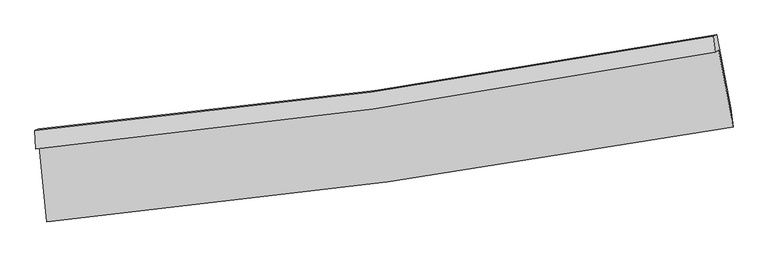
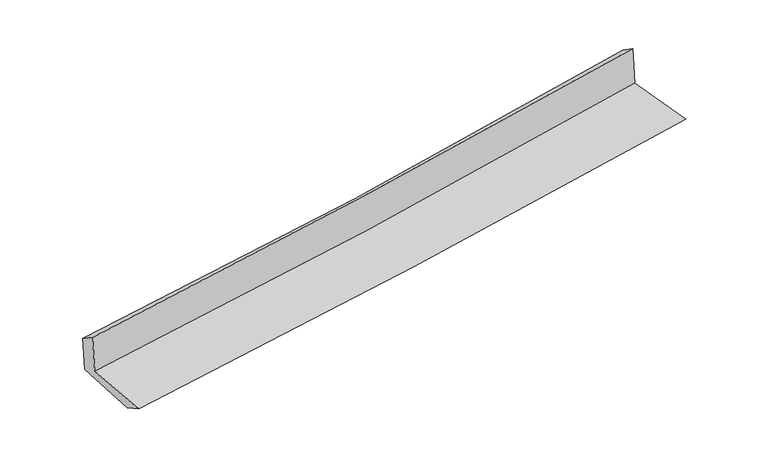
"""IFC4 building model written with IfcOpenShell, lengths in millimetres: proxy geometry."""

from ifc_helpers import new_model, si_unit, frame, origin, place, context, project, spatial, source, transform, mapped, element, save
from ifc_brep_helpers import plane_surface, spline_curve, spline_surface, advanced_brep


def generic_models_3d23677e(model_context):
    return source(origin(), model_context, "Body", "AdvancedBrep", [
        advanced_brep(
        [(-3024.9929508, -1902.7378392, 1636.4933642), (-2959.6708087, -2571.0043567, 1609.7574922), (3122.0691481, -1729.3154238, 2108.1669176), (2994.6766457, -1044.6412598, 2130.6353951), (-3056.4254691, -1922.2764989, 2025.6070057), (2962.5865084, -1064.4301953, 2524.5718254), (-3062.9013519, -1757.4364903, 1919.5098448), (2945.364874, -922.1019745, 2427.0955741), (-3033.7098799, -1745.6052648, 1565.103844), (2976.9802857, -909.4988477, 2052.9077845), (-2968.8469447, -2382.2193428, 1508.8240864), (3099.3736741, -1559.3416533, 2015.2382638)],
        [
            (0, 1),
            (1, 2, spline_curve(3, [(-2959.6708087, -2571.0043567, 1609.7574922), (-1951.864159343, -2470.61297486, 1703.162815252), (-946.060657726, -2351.146414871, 1791.049698129), (1081.265494935, -2071.340486937, 1957.405187622), (2102.708645682, -1910.244069301, 2035.654779479), (3122.0691481, -1729.3154238, 2108.1669176)], [4, 2, 4], [0.0, 9.961080138488157, 20.11790312540732])),
            (2, 3),
            (3, 0, spline_curve(3, [(2994.6766457, -1044.6412598, 2130.6353951), (1987.60195791, -1235.998940962, 2058.627715229), (977.51562061, -1403.653180865, 1980.990468092), (-1029.155874553, -1688.780549674, 1816.061561911), (-2025.626068977, -1807.158503103, 1728.98479899), (-3024.9929508, -1902.7378392, 1636.4933642)], [4, 2, 4], [0.0, 10.156822986919163, 20.11790312540732])),
            (4, 0),
            (3, 5),
            (5, 4, spline_curve(3, [(2962.5865084, -1064.4301953, 2524.5718254), (1954.951702671, -1256.226975564, 2460.157063673), (944.643904139, -1424.077364629, 2385.869578977), (-1061.795456897, -1709.112034055, 2219.171104147), (-2057.82498444, -1827.210412839, 2127.136982053), (-3056.4254691, -1922.2764989, 2025.6070057)], [4, 2, 4], [0.0, 10.108159256603916, 20.021513514850557])),
            (6, 4),
            (5, 7),
            (7, 6, spline_curve(3, [(2945.364874, -922.1019745, 2427.0955741), (1940.847216353, -1112.628983601, 2347.854501049), (932.995817011, -1277.937998592, 2265.493532156), (-1069.886849439, -1555.420198586, 2096.17919435), (-2064.790858837, -1668.556021884, 2009.344920161), (-3062.9013519, -1757.4364903, 1919.5098448)], [4, 2, 4], [0.0, 10.097231392175555, 19.99986838839512])),
            (8, 6),
            (7, 9),
            (9, 8, spline_curve(3, [(2976.9802857, -909.4988477, 2052.9077845), (1972.04627775, -1100.161872563, 1976.958910765), (963.782784069, -1265.603816552, 1897.908742416), (-1039.907700204, -1543.3431987, 1735.189044073), (-2035.207594723, -1656.603393872, 1651.637898749), (-3033.7098799, -1745.6052648, 1565.103844)], [4, 2, 4], [0.0, 10.087193702886006, 19.979986456713323])),
            (10, 8),
            (9, 11),
            (11, 10, spline_curve(3, [(3099.3736741, -1559.3416533, 2015.2382638), (2084.694747689, -1755.256069712, 1940.74206278), (1066.718250943, -1922.174211928, 1860.829984975), (-956.147832246, -2195.359908896, 1691.818520439), (-1960.911542021, -2302.734330164, 1602.925872704), (-2968.8469447, -2382.2193428, 1508.8240864)], [4, 2, 4], [0.0, 10.135271416674842, 20.075215327959825])),
            (1, 10),
            (11, 2),
        ],
        [
            spline_surface(3, 3, [[(-3024.9929508, -1902.7378392, 1636.4933642), (-2025.626069097, -1807.158503074, 1728.984798841), (-1029.155874464, -1688.780549687, 1816.061561959), (977.515620518, -1403.653180851, 1980.990468044), (1987.601958019, -1235.998941109, 2058.627715187), (2994.6766457, -1044.6412598, 2130.6353951)], [(-3003.218903436, -2125.493345023, 1627.581406892), (-2001.038765814, -2028.309993708, 1720.377470976), (-1001.457468868, -1909.569171426, 1807.724274049), (1012.098911975, -1626.215616212, 1973.128707847), (2025.970853856, -1460.747317208, 2050.970069973), (3037.140813145, -1272.865981151, 2123.145902603)], [(-2981.444856064, -2348.248850877, 1618.669449508), (-1976.451462521, -2249.461484373, 1711.770143034), (-973.759063273, -2130.35779315, 1799.386986172), (1046.682203429, -1848.778051558, 1965.266947683), (2064.33974976, -1685.495693252, 2043.312424751), (3079.604980655, -1501.090702449, 2115.656410097)], [(-2959.6708087, -2571.0043567, 1609.7574922), (-1951.864159238, -2470.612975007, 1703.16281517), (-946.060657677, -2351.146414889, 1791.049698262), (1081.265494886, -2071.340486919, 1957.405187487), (2102.708645598, -1910.244069351, 2035.654779536), (3122.0691481, -1729.3154238, 2108.1669176)]], [4, 4], [4, 2, 4], [0.0, 2.20497294865433], [0.0, 9.961080138488157, 20.11790312540732]),
            spline_surface(3, 3, [[(-3056.4254691, -1922.2764989, 2025.6070057), (-2057.824984351, -1827.21041299, 2127.136982123), (-1061.795456968, -1709.112034111, 2219.171104051), (944.643904211, -1424.077364571, 2385.869579075), (1954.951702654, -1256.22697563, 2460.15706373), (2962.5865084, -1064.4301953, 2524.5718254)], [(-3045.947962997, -1915.763612315, 1895.902458515), (-2047.092012597, -1820.526443, 1994.419587677), (-1050.915596122, -1702.334872639, 2084.80125669), (955.601142992, -1417.269303334, 2250.909875401), (1965.835121125, -1249.484297459, 2326.313947558), (2973.283220849, -1057.833883469, 2393.259681975)], [(-3035.470456903, -1909.250725785, 1766.197911385), (-2036.359040852, -1813.842473064, 1861.702193287), (-1040.03573531, -1695.557711159, 1950.43140932), (966.558381738, -1410.461242089, 2115.950171718), (1976.718539548, -1242.74161928, 2192.470831359), (2983.979933251, -1051.237571631, 2261.947538525)], [(-3024.9929508, -1902.7378392, 1636.4933642), (-2025.626069097, -1807.158503074, 1728.984798841), (-1029.155874464, -1688.780549687, 1816.061561959), (977.515620518, -1403.653180851, 1980.990468044), (1987.601958019, -1235.998941109, 2058.627715187), (2994.6766457, -1044.6412598, 2130.6353951)]], [4, 4], [4, 2, 4], [0.0, 1.3315228677762805], [0.0, 9.913354258246642, 20.021513514850557]),
            spline_surface(3, 3, [[(-3062.9013519, -1757.4364903, 1919.5098448), (-2064.790858841, -1668.556022032, 2009.344920101), (-1069.886849472, -1555.420198457, 2096.179194276), (932.995817045, -1277.937998724, 2265.493532231), (1940.847216363, -1112.628983686, 2347.854501137), (2945.364874, -922.1019745, 2427.0955741)], [(-3060.742724319, -1812.383159848, 1954.875565102), (-2062.468900697, -1721.440819033, 2048.608940777), (-1067.189718647, -1606.650810358, 2137.176497544), (936.878512758, -1326.65112069, 2305.618881188), (1945.548711805, -1160.494980985, 2385.288688653), (2951.105418811, -969.544714751, 2459.587657852)], [(-3058.584096681, -1867.329829352, 1990.241285398), (-2060.146942495, -1774.325615989, 2087.872961447), (-1064.492587793, -1657.88142221, 2178.173800783), (940.761208499, -1375.364242606, 2345.744230117), (1950.250207212, -1208.360978331, 2422.722876214), (2956.845963589, -1016.987455049, 2492.079741648)], [(-3056.4254691, -1922.2764989, 2025.6070057), (-2057.824984351, -1827.21041299, 2127.136982123), (-1061.795456968, -1709.112034111, 2219.171104051), (944.643904211, -1424.077364571, 2385.869579075), (1954.951702654, -1256.22697563, 2460.15706373), (2962.5865084, -1064.4301953, 2524.5718254)]], [4, 4], [4, 2, 4], [0.0, 0.6340702069179592], [0.0, 9.902636996219567, 19.99986838839512]),
            spline_surface(3, 3, [[(-3033.7098799, -1745.6052648, 1565.103844), (-2035.207594748, -1656.603393823, 1651.637898901), (-1039.907700064, -1543.343198804, 1735.189044101), (963.782783926, -1265.603816446, 1897.908742387), (1972.046277773, -1100.161872445, 1976.95891067), (2976.9802857, -909.4988477, 2052.9077845)], [(-3043.440370535, -1749.549006642, 1683.239177597), (-2045.068682748, -1660.587603234, 1770.873572631), (-1049.900749878, -1547.368865358, 1855.519094168), (953.520461621, -1269.715210542, 2020.437005677), (1961.646590639, -1104.317576214, 2100.590774155), (2966.441815136, -913.699889988, 2177.637047697)], [(-3053.170861265, -1753.492748458, 1801.374511203), (-2054.929770841, -1664.571812621, 1890.109246371), (-1059.893799658, -1551.394531903, 1975.849144209), (943.25813935, -1273.826604629, 2142.965268941), (1951.246903497, -1108.473279917, 2224.222637651), (2955.903344564, -917.900932212, 2302.366310903)], [(-3062.9013519, -1757.4364903, 1919.5098448), (-2064.790858841, -1668.556022032, 2009.344920101), (-1069.886849472, -1555.420198457, 2096.179194276), (932.995817045, -1277.937998724, 2265.493532231), (1940.847216363, -1112.628983686, 2347.854501137), (2945.364874, -922.1019745, 2427.0955741)]], [4, 4], [4, 2, 4], [0.0, 1.2001990157788716], [0.0, 9.892792753827317, 19.979986456713323]),
            spline_surface(3, 3, [[(-2968.8469447, -2382.2193428, 1508.8240864), (-1960.91154206, -2302.734330168, 1602.925872552), (-956.147832354, -2195.359908986, 1691.818520494), (1066.718251054, -1922.174211837, 1860.829984919), (2084.694747618, -1755.256069842, 1940.742062783), (3099.3736741, -1559.3416533, 2015.2382638)], [(-2990.467923111, -2170.014650138, 1527.584005615), (-1985.676892966, -2087.357351392, 1619.163214683), (-984.067788257, -1978.021005582, 1706.2753617), (1032.406428678, -1703.317413363, 1873.189570745), (2047.145257662, -1536.89133737, 1952.814345439), (3058.575877959, -1342.72738476, 2027.794770728)], [(-3012.088901489, -1957.809957462, 1546.343924785), (-2010.442243841, -1871.9803726, 1635.40055677), (-1011.987744161, -1760.682102208, 1720.732202896), (998.094606302, -1484.46061492, 1885.549156561), (2009.595767729, -1318.526604917, 1964.886628013), (3017.778081841, -1126.11311624, 2040.351277572)], [(-3033.7098799, -1745.6052648, 1565.103844), (-2035.207594748, -1656.603393823, 1651.637898901), (-1039.907700064, -1543.343198804, 1735.189044101), (963.782783926, -1265.603816446, 1897.908742387), (1972.046277773, -1100.161872445, 1976.95891067), (2976.9802857, -909.4988477, 2052.9077845)]], [4, 4], [4, 2, 4], [0.0, 2.1725960245062215], [0.0, 9.939943911284983, 20.075215327959825]),
            spline_surface(3, 3, [[(-2959.6708087, -2571.0043567, 1609.7574922), (-1951.864159238, -2470.612975007, 1703.16281517), (-946.060657677, -2351.146414889, 1791.049698262), (1081.265494886, -2071.340486919, 1957.405187487), (2102.708645598, -1910.244069351, 2035.654779536), (3122.0691481, -1729.3154238, 2108.1669176)], [(-2962.729520702, -2508.076018733, 1576.113023579), (-1954.879953513, -2414.653426727, 1669.750500943), (-949.423049228, -2299.217579571, 1757.972638993), (1076.416413617, -2021.618395207, 1925.213453284), (2096.704012937, -1858.581402828, 2004.017207265), (3114.5039901, -1672.65750028, 2077.190699646)], [(-2965.788232698, -2445.147680767, 1542.468555021), (-1957.895747784, -2358.693878448, 1636.338186779), (-952.785440804, -2247.288744304, 1724.895579763), (1071.567332322, -1971.896303548, 1893.021719121), (2090.699380278, -1806.918736365, 1972.379635055), (3106.9388321, -1615.99957682, 2046.214481754)], [(-2968.8469447, -2382.2193428, 1508.8240864), (-1960.91154206, -2302.734330168, 1602.925872552), (-956.147832354, -2195.359908986, 1691.818520494), (1066.718251054, -1922.174211837, 1860.829984919), (2084.694747618, -1755.256069842, 1940.742062783), (3099.3736741, -1559.3416533, 2015.2382638)]], [4, 4], [4, 2, 4], [0.0, 0.5956594065596517], [0.0, 9.997523789026895, 20.19150657211002]),
            plane_surface(frame((3016.841856, -1204.8882257, 2209.7692934), z_axis=(0.9797614333656987, 0.17938248295278664, 0.08882262380095012), x_axis=(-0.08414341530663759, -0.0335428223518574, 0.9958889319242415))),
            plane_surface(frame((-3017.7579009, -2046.8799654, 1710.8826062), z_axis=(-0.9919918941074808, -0.0935719373908462, -0.08483144793044695), x_axis=(-0.0972079442829045, 0.9944685265509665, 0.0397864960488009))),
        ],
        [
            (0, [[1, 2, 3, 4]]),
            (1, [[5, -4, 6, 7]]),
            (2, [[8, -7, 9, 10]]),
            (3, [[11, -10, 12, 13]]),
            (4, [[14, -13, 15, 16]]),
            (5, [[17, -16, 18, -2]]),
            (6, [[-12, -9, -6, -3, -18, -15]]),
            (7, [[-1, -5, -8, -11, -14, -17]]),
        ],
    ),
    ])


if __name__ == "__main__":
    model = new_model("IFC4")
    model_context = context("Model", 3, world=origin())
    ifc_project = project(units=[si_unit("LENGTHUNIT", "METRE", prefix="MILLI")], contexts=[model_context])
    site = spatial("IfcSite", under=ifc_project)
    building = spatial("IfcBuilding", under=site)
    placement = place(None, origin())
    generic_models_shape = generic_models_3d23677e(model_context)
    element("IfcBuildingElementProxy", 1, Name="Generic Models", at=placement, inside=building, context=model_context, shape_type="MappedRepresentation", body=[
        mapped(generic_models_shape, transform((0.0, 0.0, 0.0), x_axis=(1.0, 0.0, 0.0), y_axis=(0.0, 1.0, 0.0), z_axis=(0.0, 0.0, 1.0))),
    ])
    save(model, "model.ifc")
